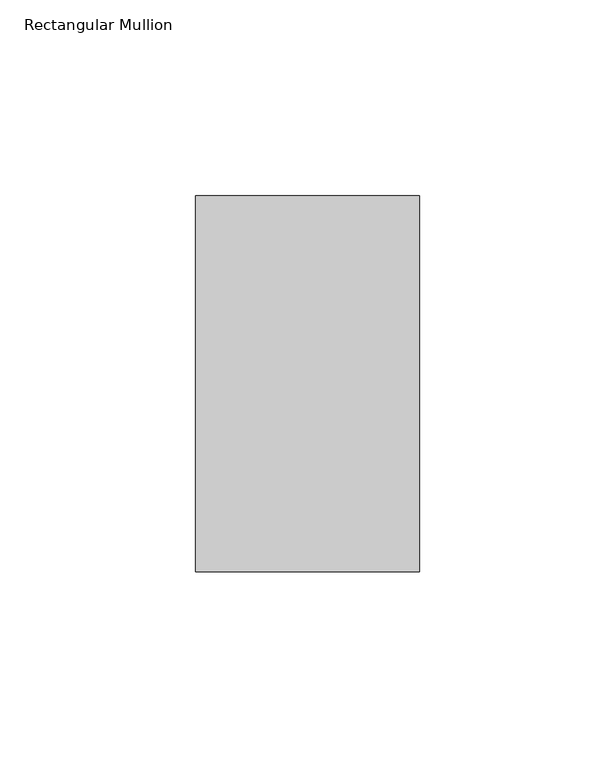
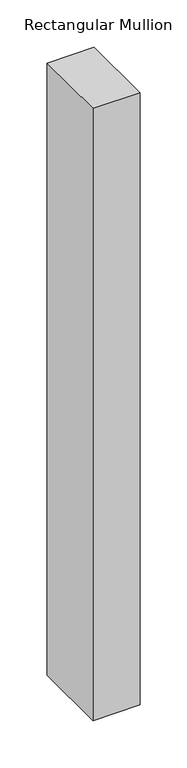
"""IFC4 building model written with IfcOpenShell, lengths in millimetres: member geometry, Rectangular Mullion."""

from ifc_helpers import new_model, si_unit, frame, origin, place, context, project, spatial, polyline, outline, extrude, source, transform, mapped, element, save


def rectangular_mullion_6dbdbe02(model_context):
    return source(origin(), model_context, "Body", "SweptSolid", [
        extrude(outline(polyline([(28.575, 152.765125), (28.575, 56.753125), (-28.575, 56.753125), (-28.575, 152.765125), (28.575, 152.765125)])), frame((0.0, 0.0, -787.4), z_axis=(0.0, 0.0, 1.0), x_axis=(1.0, 0.0, 0.0)), (0.0, 0.0, 1.0), 787.4),
    ])


if __name__ == "__main__":
    model = new_model("IFC4")
    model_context = context("Model", 3, world=origin())
    ifc_project = project(units=[si_unit("LENGTHUNIT", "METRE", prefix="MILLI")], contexts=[model_context])
    site = spatial("IfcSite", under=ifc_project)
    building = spatial("IfcBuilding", under=site)
    placement = place(None, origin())
    rectangular_mullion_shape = rectangular_mullion_6dbdbe02(model_context)
    element("IfcMember", 1, ObjectType="Rectangular Mullion", at=placement, inside=building, context=model_context, shape_type="MappedRepresentation", body=[
        mapped(rectangular_mullion_shape, transform((0.0, 0.0, 0.0), x_axis=(1.0, 0.0, 0.0), y_axis=(0.0, 1.0, 0.0), z_axis=(0.0, 0.0, 1.0))),
    ])
    save(model, "model.ifc")
